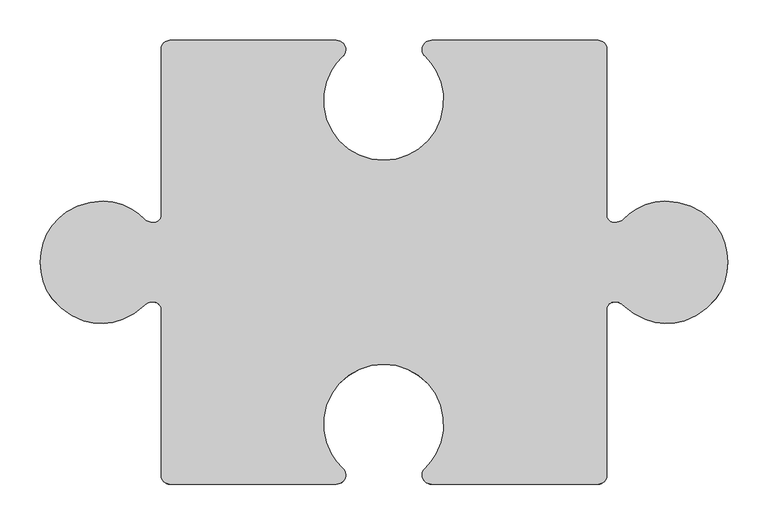
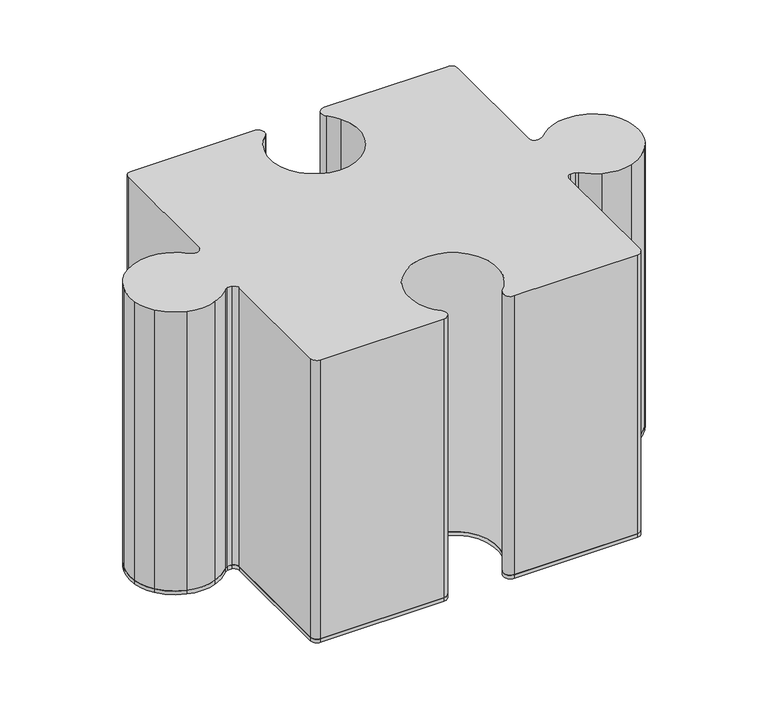
"""IFC4 building model written with IfcOpenShell, lengths in millimetres: furniture geometry."""

from ifc_helpers import new_model, si_unit, point, frame, frame_2d, origin, origin_with_axes, place, context, project, spatial, polyline, circle_curve, trimmed, segment, composite_curve, outline, extrude, source, transform, mapped, element, save


def furniture_12245962(model_context):
    return source(origin(), model_context, "Body", "SweptSolid", [
        extrude(outline(composite_curve([segment(polyline([(294.7255158, 102.7178879), (294.7255158, 308.6695312)]), True, "CONTINUOUS"), segment(trimmed(circle_curve(frame_2d((305.4411408, 308.6695312)), 10.715625), [point((294.7255158, 308.6695312))], [point((305.4411408, 319.3851562))], False, "CARTESIAN"), True, "CONTINUOUS"), segment(polyline([(305.4411408, 319.3851562), (511.5899306, 319.3851562)]), True, "CONTINUOUS"), segment(trimmed(circle_curve(frame_2d((511.5899306, 307.8757812)), 11.509375), [point((511.5899306, 319.3851562))], [point((519.0485904, 299.1102746))], False, "CARTESIAN"), True, "CONTINUOUS"), segment(trimmed(circle_curve(frame_2d((560.0505979, 250.9242224)), 63.269742), [point((519.0485904, 299.1102746))], [point((504.9347235, 281.99351))], True, "CARTESIAN"), True, "CONTINUOUS"), segment(trimmed(circle_curve(frame_2d((569.9315617, 245.354239)), 74.6125), [point((504.9347235, 281.99351))], [point((634.9284, 281.99351))], True, "CARTESIAN"), True, "CONTINUOUS"), segment(trimmed(circle_curve(frame_2d((566.9754346, 243.687845)), 78.0059579), [point((634.9284, 281.99351))], [point((621.3247911, 299.6438717))], True, "CARTESIAN"), True, "CONTINUOUS"), segment(trimmed(circle_curve(frame_2d((629.3477286, 307.9039825)), 11.5150752), [point((621.3247911, 299.6438717))], [point((629.3477286, 319.4190577))], False, "CARTESIAN"), True, "CONTINUOUS"), segment(polyline([(629.3477286, 319.4190577), (835.5912415, 319.4190577)]), True, "CONTINUOUS"), segment(trimmed(circle_curve(frame_2d((835.5912415, 308.7034327)), 10.715625), [point((835.5912415, 319.4190577))], [point((846.3068665, 308.7034327))], False, "CARTESIAN"), True, "CONTINUOUS"), segment(polyline([(846.3068665, 308.7034327), (846.3068665, 102.4888551)]), True, "CONTINUOUS"), segment(trimmed(circle_curve(frame_2d((854.9865364, 102.4888551)), 8.6796699), [point((846.3068665, 102.4888551))], [point((854.0041889, 93.8649544))], True, "CARTESIAN"), True, "CONTINUOUS"), segment(trimmed(circle_curve(frame_2d((856.1101428, 112.3528487)), 18.6074522), [point((854.0041889, 93.8649544))], [point((861.8196614, 94.6430019))], True, "CARTESIAN"), True, "CONTINUOUS"), segment(trimmed(circle_curve(frame_2d((857.922788, 106.7303663)), 12.7), [point((861.8196614, 94.6430019))], [point((866.7382801, 97.5883151))], True, "CARTESIAN"), True, "CONTINUOUS"), segment(trimmed(circle_curve(frame_2d((930.5441764, 31.4188078)), 91.9216846), [point((866.7382801, 97.5883151))], [point((883.6759053, 110.4944758))], False, "CARTESIAN"), True, "CONTINUOUS"), segment(trimmed(circle_curve(frame_2d((918.635023, 51.5118097)), 68.5645302), [point((883.6759053, 110.4944758))], [point((918.2665682, 120.0753499))], False, "CARTESIAN"), True, "CONTINUOUS"), segment(trimmed(circle_curve(frame_2d((918.7040007, 38.6761571)), 81.4003681), [point((918.2665682, 120.0753499))], [point((963.7891975, 106.4503776))], False, "CARTESIAN"), True, "CONTINUOUS"), segment(trimmed(circle_curve(frame_2d((924.7022578, 47.6930235)), 70.570642), [point((963.7891975, 106.4503776))], [point((992.2020299, 68.2841934))], False, "CARTESIAN"), True, "CONTINUOUS"), segment(trimmed(circle_curve(frame_2d((911.9868027, 43.8141053)), 83.8645806), [point((992.2020299, 68.2841934))], [point((995.0750059, 32.4290986))], False, "CARTESIAN"), True, "CONTINUOUS"), segment(trimmed(circle_curve(frame_2d((926.6942002, 41.7988515)), 69.019757), [point((995.0750059, 32.4290986))], [point((981.0789261, -0.6985418))], False, "CARTESIAN"), True, "CONTINUOUS"), segment(trimmed(circle_curve(frame_2d((916.9539295, 49.4101083)), 81.3811527), [point((981.0789261, -0.6985418))], [point((942.1284875, -27.9793848))], False, "CARTESIAN"), True, "CONTINUOUS"), segment(trimmed(circle_curve(frame_2d((920.3610804, 38.9361335)), 70.3669425), [point((942.1284875, -27.9793848))], [point((894.6421509, -26.5622883))], False, "CARTESIAN"), True, "CONTINUOUS"), segment(trimmed(circle_curve(frame_2d((926.824515, 55.3965682)), 88.0508871), [point((894.6421509, -26.5622883))], [point((866.1471231, -8.4094882))], False, "CARTESIAN"), True, "CONTINUOUS"), segment(trimmed(circle_curve(frame_2d((857.3953331, -17.6125405)), 12.7), [point((866.1471231, -8.4094882))], [point((861.4814481, -5.58783))], True, "CARTESIAN"), True, "CONTINUOUS"), segment(trimmed(circle_curve(frame_2d((856.5451925, -20.114353)), 15.3423104), [point((861.4814481, -5.58783))], [point((853.7238294, -5.0336899))], True, "CARTESIAN"), True, "CONTINUOUS"), segment(trimmed(circle_curve(frame_2d((855.3951043, -13.9669371)), 9.0882378), [point((853.7238294, -5.0336899))], [point((846.3068665, -13.9669371))], True, "CARTESIAN"), True, "CONTINUOUS"), segment(polyline([(846.3068665, -13.9669371), (846.3068665, -219.8034327)]), True, "CONTINUOUS"), segment(trimmed(circle_curve(frame_2d((835.5912415, -219.8034327)), 10.715625), [point((846.3068665, -219.8034327))], [point((835.5912415, -230.5190577))], False, "CARTESIAN"), True, "CONTINUOUS"), segment(polyline([(835.5912415, -230.5190577), (629.3477286, -230.5190577)]), True, "CONTINUOUS"), segment(trimmed(circle_curve(frame_2d((629.3477286, -219.0039825)), 11.5150752), [point((629.3477286, -230.5190577))], [point((621.3247911, -210.7438717))], False, "CARTESIAN"), True, "CONTINUOUS"), segment(trimmed(circle_curve(frame_2d((566.9754346, -154.787845)), 78.0059579), [point((621.3247911, -210.7438717))], [point((634.9284, -193.09351))], True, "CARTESIAN"), True, "CONTINUOUS"), segment(trimmed(circle_curve(frame_2d((569.9315617, -156.454239)), 74.6125), [point((634.9284, -193.09351))], [point((504.9347235, -193.09351))], True, "CARTESIAN"), True, "CONTINUOUS"), segment(trimmed(circle_curve(frame_2d((560.0505979, -162.0242224)), 63.269742), [point((504.9347235, -193.09351))], [point((519.0485904, -210.2102746))], True, "CARTESIAN"), True, "CONTINUOUS"), segment(trimmed(circle_curve(frame_2d((511.5899306, -218.9757813)), 11.509375), [point((519.0485904, -210.2102746))], [point((511.5899306, -230.4851563))], False, "CARTESIAN"), True, "CONTINUOUS"), segment(polyline([(511.5899306, -230.4851563), (305.4411408, -230.4851563)]), True, "CONTINUOUS"), segment(trimmed(circle_curve(frame_2d((305.4411408, -219.7695313)), 10.715625), [point((305.4411408, -230.4851563))], [point((294.7255158, -219.7695313))], False, "CARTESIAN"), True, "CONTINUOUS"), segment(polyline([(294.7255158, -219.7695313), (294.7255158, -14.1237914)]), True, "CONTINUOUS"), segment(trimmed(circle_curve(frame_2d((285.4594509, -14.1237914)), 9.2660648), [point((294.7255158, -14.1237914))], [point((287.032552, -4.9922356))], True, "CARTESIAN"), True, "CONTINUOUS"), segment(trimmed(circle_curve(frame_2d((284.259255, -21.0907027)), 16.3355997), [point((287.032552, -4.9922356))], [point((279.7017405, -5.4037374))], True, "CARTESIAN"), True, "CONTINUOUS"), segment(trimmed(circle_curve(frame_2d((283.2449489, -17.599461)), 12.7), [point((279.7017405, -5.4037374))], [point((274.3989516, -8.486924))], True, "CARTESIAN"), True, "CONTINUOUS"), segment(trimmed(circle_curve(frame_2d((215.3706776, 52.3199377)), 84.7455696), [point((274.3989516, -8.486924))], [point((246.3449569, -26.5622883))], False, "CARTESIAN"), True, "CONTINUOUS"), segment(trimmed(circle_curve(frame_2d((220.6260273, 38.9361335)), 70.3669425), [point((246.3449569, -26.5622883))], [point((198.8586203, -27.9793848))], False, "CARTESIAN"), True, "CONTINUOUS"), segment(trimmed(circle_curve(frame_2d((224.0331783, 49.4101083)), 81.3811527), [point((198.8586203, -27.9793848))], [point((159.9081816, -0.6985418))], False, "CARTESIAN"), True, "CONTINUOUS"), segment(trimmed(circle_curve(frame_2d((214.2929076, 41.7988515)), 69.019757), [point((159.9081816, -0.6985418))], [point((145.9121019, 32.4290986))], False, "CARTESIAN"), True, "CONTINUOUS"), segment(trimmed(circle_curve(frame_2d((229.000305, 43.8141053)), 83.8645806), [point((145.9121019, 32.4290986))], [point((148.7850779, 68.2841934))], False, "CARTESIAN"), True, "CONTINUOUS"), segment(trimmed(circle_curve(frame_2d((216.28485, 47.6930235)), 70.570642), [point((148.7850779, 68.2841934))], [point((177.1979103, 106.4503776))], False, "CARTESIAN"), True, "CONTINUOUS"), segment(trimmed(circle_curve(frame_2d((222.2831071, 38.6761571)), 81.4003681), [point((177.1979103, 106.4503776))], [point((222.7205396, 120.0753499))], False, "CARTESIAN"), True, "CONTINUOUS"), segment(trimmed(circle_curve(frame_2d((222.3520848, 51.5118097)), 68.5645302), [point((222.7205396, 120.0753499))], [point((257.3112025, 110.4944758))], False, "CARTESIAN"), True, "CONTINUOUS"), segment(trimmed(circle_curve(frame_2d((210.4429314, 31.4188078)), 91.9216846), [point((257.3112025, 110.4944758))], [point((274.2488277, 97.5883151))], False, "CARTESIAN"), True, "CONTINUOUS"), segment(trimmed(circle_curve(frame_2d((283.0643198, 106.7303663)), 12.7), [point((274.2488277, 97.5883151))], [point((279.1674463, 94.6430019))], True, "CARTESIAN"), True, "CONTINUOUS"), segment(trimmed(circle_curve(frame_2d((284.876965, 112.3528487)), 18.6074522), [point((279.1674463, 94.6430019))], [point((286.6454179, 93.8296241))], True, "CARTESIAN"), True, "CONTINUOUS"), segment(trimmed(circle_curve(frame_2d((285.7968358, 102.7178879)), 8.9286799), [point((286.6454179, 93.8296241))], [point((294.7255158, 102.7178879))], True, "CARTESIAN"), True, "CONTINUOUS")], self_intersect=False)), origin_with_axes(), (0.0, 0.0, 1.0), 6.35),
        extrude(outline(composite_curve([segment(trimmed(circle_curve(frame_2d((835.5912415, 308.7034327)), 10.715625), [point((835.5912415, 319.4190577))], [point((846.3068665, 308.7034327))], False, "CARTESIAN"), True, "CONTINUOUS"), segment(polyline([(846.3068665, 308.7034327), (846.3068665, 102.4888551)]), True, "CONTINUOUS"), segment(trimmed(circle_curve(frame_2d((854.9865364, 102.4888551)), 8.6796699), [point((846.3068665, 102.4888551))], [point((854.0041889, 93.8649544))], True, "CARTESIAN"), True, "CONTINUOUS"), segment(trimmed(circle_curve(frame_2d((856.1101428, 112.3528487)), 18.6074522), [point((854.0041889, 93.8649544))], [point((861.8196614, 94.6430019))], True, "CARTESIAN"), True, "CONTINUOUS"), segment(trimmed(circle_curve(frame_2d((857.922788, 106.7303663)), 12.7), [point((861.8196614, 94.6430019))], [point((866.7382801, 97.5883151))], True, "CARTESIAN"), True, "CONTINUOUS"), segment(trimmed(circle_curve(frame_2d((930.5441764, 31.4188078)), 91.9216846), [point((866.7382801, 97.5883151))], [point((883.6759053, 110.4944758))], False, "CARTESIAN"), True, "CONTINUOUS"), segment(trimmed(circle_curve(frame_2d((918.635023, 51.5118097)), 68.5645302), [point((883.6759053, 110.4944758))], [point((918.2665682, 120.0753499))], False, "CARTESIAN"), True, "CONTINUOUS"), segment(trimmed(circle_curve(frame_2d((918.7040007, 38.6761571)), 81.4003681), [point((918.2665682, 120.0753499))], [point((963.7891975, 106.4503776))], False, "CARTESIAN"), True, "CONTINUOUS"), segment(trimmed(circle_curve(frame_2d((924.7022578, 47.6930235)), 70.570642), [point((963.7891975, 106.4503776))], [point((992.2020299, 68.2841934))], False, "CARTESIAN"), True, "CONTINUOUS"), segment(trimmed(circle_curve(frame_2d((911.9868027, 43.8141053)), 83.8645806), [point((992.2020299, 68.2841934))], [point((995.0750059, 32.4290986))], False, "CARTESIAN"), True, "CONTINUOUS"), segment(trimmed(circle_curve(frame_2d((926.6942002, 41.7988515)), 69.019757), [point((995.0750059, 32.4290986))], [point((981.0789261, -0.6985418))], False, "CARTESIAN"), True, "CONTINUOUS"), segment(trimmed(circle_curve(frame_2d((916.9539295, 49.4101083)), 81.3811527), [point((981.0789261, -0.6985418))], [point((942.1284875, -27.9793848))], False, "CARTESIAN"), True, "CONTINUOUS"), segment(trimmed(circle_curve(frame_2d((920.3610804, 38.9361335)), 70.3669425), [point((942.1284875, -27.9793848))], [point((894.6421509, -26.5622883))], False, "CARTESIAN"), True, "CONTINUOUS"), segment(trimmed(circle_curve(frame_2d((926.824515, 55.3965682)), 88.0508871), [point((894.6421509, -26.5622883))], [point((866.1471231, -8.4094882))], False, "CARTESIAN"), True, "CONTINUOUS"), segment(trimmed(circle_curve(frame_2d((857.3953331, -17.6125405)), 12.7), [point((866.1471231, -8.4094882))], [point((861.4814481, -5.58783))], True, "CARTESIAN"), True, "CONTINUOUS"), segment(trimmed(circle_curve(frame_2d((856.5451925, -20.114353)), 15.3423104), [point((861.4814481, -5.58783))], [point((853.7238294, -5.0336899))], True, "CARTESIAN"), True, "CONTINUOUS"), segment(trimmed(circle_curve(frame_2d((855.3951043, -13.9669371)), 9.0882378), [point((853.7238294, -5.0336899))], [point((846.3068665, -13.9669371))], True, "CARTESIAN"), True, "CONTINUOUS"), segment(polyline([(846.3068665, -13.9669371), (846.3068665, -219.8034327)]), True, "CONTINUOUS"), segment(trimmed(circle_curve(frame_2d((835.5912415, -219.8034327)), 10.715625), [point((846.3068665, -219.8034327))], [point((835.5912415, -230.5190577))], False, "CARTESIAN"), True, "CONTINUOUS"), segment(polyline([(835.5912415, -230.5190577), (629.3477286, -230.5190577)]), True, "CONTINUOUS"), segment(trimmed(circle_curve(frame_2d((629.3477286, -219.0039825)), 11.5150752), [point((629.3477286, -230.5190577))], [point((621.3247911, -210.7438717))], False, "CARTESIAN"), True, "CONTINUOUS"), segment(trimmed(circle_curve(frame_2d((566.9754346, -154.787845)), 78.0059579), [point((621.3247911, -210.7438717))], [point((634.9284, -193.09351))], True, "CARTESIAN"), True, "CONTINUOUS"), segment(trimmed(circle_curve(frame_2d((569.9315617, -156.454239)), 74.6125), [point((634.9284, -193.09351))], [point((504.9347235, -193.09351))], True, "CARTESIAN"), True, "CONTINUOUS"), segment(trimmed(circle_curve(frame_2d((560.0505979, -162.0242224)), 63.269742), [point((504.9347235, -193.09351))], [point((519.0485904, -210.2102746))], True, "CARTESIAN"), True, "CONTINUOUS"), segment(trimmed(circle_curve(frame_2d((511.5899306, -218.9757813)), 11.509375), [point((519.0485904, -210.2102746))], [point((511.5899306, -230.4851563))], False, "CARTESIAN"), True, "CONTINUOUS"), segment(polyline([(511.5899306, -230.4851563), (305.4411408, -230.4851563)]), True, "CONTINUOUS"), segment(trimmed(circle_curve(frame_2d((305.4411408, -219.7695313)), 10.715625), [point((305.4411408, -230.4851563))], [point((294.7255158, -219.7695313))], False, "CARTESIAN"), True, "CONTINUOUS"), segment(polyline([(294.7255158, -219.7695313), (294.7255158, -14.1237914)]), True, "CONTINUOUS"), segment(trimmed(circle_curve(frame_2d((285.4594509, -14.1237914)), 9.2660648), [point((294.7255158, -14.1237914))], [point((287.032552, -4.9922356))], True, "CARTESIAN"), True, "CONTINUOUS"), segment(trimmed(circle_curve(frame_2d((284.259255, -21.0907027)), 16.3355997), [point((287.032552, -4.9922356))], [point((279.7017405, -5.4037374))], True, "CARTESIAN"), True, "CONTINUOUS"), segment(trimmed(circle_curve(frame_2d((283.2449489, -17.599461)), 12.7), [point((279.7017405, -5.4037374))], [point((274.3989516, -8.486924))], True, "CARTESIAN"), True, "CONTINUOUS"), segment(trimmed(circle_curve(frame_2d((215.3706776, 52.3199377)), 84.7455696), [point((274.3989516, -8.486924))], [point((246.3449569, -26.5622883))], False, "CARTESIAN"), True, "CONTINUOUS"), segment(trimmed(circle_curve(frame_2d((220.6260273, 38.9361335)), 70.3669425), [point((246.3449569, -26.5622883))], [point((198.8586203, -27.9793848))], False, "CARTESIAN"), True, "CONTINUOUS"), segment(trimmed(circle_curve(frame_2d((224.0331783, 49.4101083)), 81.3811527), [point((198.8586203, -27.9793848))], [point((159.9081816, -0.6985418))], False, "CARTESIAN"), True, "CONTINUOUS"), segment(trimmed(circle_curve(frame_2d((214.2929076, 41.7988515)), 69.019757), [point((159.9081816, -0.6985418))], [point((145.9121019, 32.4290986))], False, "CARTESIAN"), True, "CONTINUOUS"), segment(trimmed(circle_curve(frame_2d((229.000305, 43.8141053)), 83.8645806), [point((145.9121019, 32.4290986))], [point((148.7850779, 68.2841934))], False, "CARTESIAN"), True, "CONTINUOUS"), segment(trimmed(circle_curve(frame_2d((216.28485, 47.6930235)), 70.570642), [point((148.7850779, 68.2841934))], [point((177.1979103, 106.4503776))], False, "CARTESIAN"), True, "CONTINUOUS"), segment(trimmed(circle_curve(frame_2d((222.2831071, 38.6761571)), 81.4003681), [point((177.1979103, 106.4503776))], [point((222.7205396, 120.0753499))], False, "CARTESIAN"), True, "CONTINUOUS"), segment(trimmed(circle_curve(frame_2d((222.3520848, 51.5118097)), 68.5645302), [point((222.7205396, 120.0753499))], [point((257.3112025, 110.4944758))], False, "CARTESIAN"), True, "CONTINUOUS"), segment(trimmed(circle_curve(frame_2d((210.4429314, 31.4188078)), 91.9216846), [point((257.3112025, 110.4944758))], [point((274.2488277, 97.5883151))], False, "CARTESIAN"), True, "CONTINUOUS"), segment(trimmed(circle_curve(frame_2d((283.0643198, 106.7303663)), 12.7), [point((274.2488277, 97.5883151))], [point((279.1674463, 94.6430019))], True, "CARTESIAN"), True, "CONTINUOUS"), segment(trimmed(circle_curve(frame_2d((284.876965, 112.3528487)), 18.6074522), [point((279.1674463, 94.6430019))], [point((286.6454179, 93.8296241))], True, "CARTESIAN"), True, "CONTINUOUS"), segment(trimmed(circle_curve(frame_2d((285.7968358, 102.7178879)), 8.9286799), [point((286.6454179, 93.8296241))], [point((294.7255158, 102.7178879))], True, "CARTESIAN"), True, "CONTINUOUS"), segment(polyline([(294.7255158, 102.7178879), (294.7255158, 308.6695312)]), True, "CONTINUOUS"), segment(trimmed(circle_curve(frame_2d((305.4411408, 308.6695312)), 10.715625), [point((294.7255158, 308.6695312))], [point((305.4411408, 319.3851562))], False, "CARTESIAN"), True, "CONTINUOUS"), segment(polyline([(305.4411408, 319.3851562), (511.5899306, 319.3851562)]), True, "CONTINUOUS"), segment(trimmed(circle_curve(frame_2d((511.5899306, 307.8757812)), 11.509375), [point((511.5899306, 319.3851562))], [point((519.0485904, 299.1102746))], False, "CARTESIAN"), True, "CONTINUOUS"), segment(trimmed(circle_curve(frame_2d((560.0505979, 250.9242224)), 63.269742), [point((519.0485904, 299.1102746))], [point((504.9347235, 281.99351))], True, "CARTESIAN"), True, "CONTINUOUS"), segment(trimmed(circle_curve(frame_2d((569.9315617, 245.354239)), 74.6125), [point((504.9347235, 281.99351))], [point((634.9284, 281.99351))], True, "CARTESIAN"), True, "CONTINUOUS"), segment(trimmed(circle_curve(frame_2d((566.9754346, 243.687845)), 78.0059579), [point((634.9284, 281.99351))], [point((621.3247911, 299.6438717))], True, "CARTESIAN"), True, "CONTINUOUS"), segment(trimmed(circle_curve(frame_2d((629.3477286, 307.9039825)), 11.5150752), [point((621.3247911, 299.6438717))], [point((629.3477286, 319.4190577))], False, "CARTESIAN"), True, "CONTINUOUS"), segment(polyline([(629.3477286, 319.4190577), (835.5912415, 319.4190577)]), True, "CONTINUOUS")], self_intersect=False)), frame((0.0, 0.0, 6.35), z_axis=(0.0, 0.0, 1.0), x_axis=(1.0, 0.0, 0.0)), (0.0, 0.0, 1.0), 493.8117187),
    ])


if __name__ == "__main__":
    model = new_model("IFC4")
    model_context = context("Model", 3, world=origin())
    ifc_project = project(units=[si_unit("LENGTHUNIT", "METRE", prefix="MILLI")], contexts=[model_context])
    site = spatial("IfcSite", under=ifc_project)
    building = spatial("IfcBuilding", under=site)
    placement = place(None, origin())
    furniture_shape = furniture_12245962(model_context)
    element("IfcFurniture", 1, at=placement, inside=building, context=model_context, shape_type="MappedRepresentation", body=[
        mapped(furniture_shape, transform((0.0, 0.0, 0.0), x_axis=(1.0, 0.0, 0.0), y_axis=(0.0, 1.0, 0.0), z_axis=(0.0, 0.0, 1.0))),
    ])
    save(model, "model.ifc")
